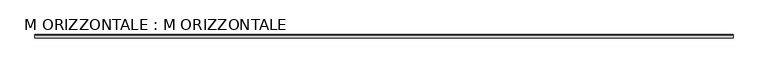
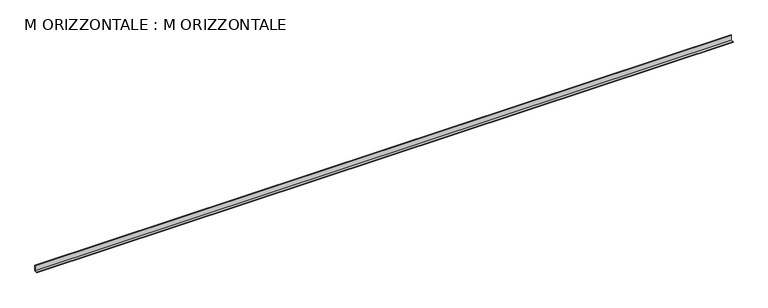
"""IFC4 building model written with IfcOpenShell, lengths in millimetres: plate geometry, M ORIZZONTALE : M ORIZZONTALE."""

from ifc_helpers import new_model, si_unit, frame, origin, place, context, project, spatial, polyline, outline, extrude, source, transform, mapped, element, save


def m_orizzontale_m_orizzontale_1371118a(model_context):
    return source(origin(), model_context, "Body", "SweptSolid", [
        extrude(outline(polyline([(0.0, 0.0), (-50.0, 0.0), (-50.0, 5.0), (-5.0, 5.0), (-5.0, 80.0), (0.0, 80.0), (0.0, 0.0)])), frame((-5000.0, 0.0, 0.0), z_axis=(1.0, 0.0, 0.0), x_axis=(0.0, 1.0, 0.0)), (0.0, 0.0, 1.0), 10000.0),
    ])


if __name__ == "__main__":
    model = new_model("IFC4")
    model_context = context("Model", 3, world=origin())
    ifc_project = project(units=[si_unit("LENGTHUNIT", "METRE", prefix="MILLI")], contexts=[model_context])
    site = spatial("IfcSite", under=ifc_project)
    building = spatial("IfcBuilding", under=site)
    placement = place(None, origin())
    m_orizzontale_m_orizzontale_shape = m_orizzontale_m_orizzontale_1371118a(model_context)
    element("IfcPlate", 1, ObjectType="M ORIZZONTALE : M ORIZZONTALE", at=placement, inside=building, context=model_context, shape_type="MappedRepresentation", body=[
        mapped(m_orizzontale_m_orizzontale_shape, transform((0.0, 0.0, 0.0), x_axis=(1.0, 0.0, 0.0), y_axis=(0.0, 1.0, 0.0), z_axis=(0.0, 0.0, 1.0))),
    ])
    save(model, "model.ifc")
